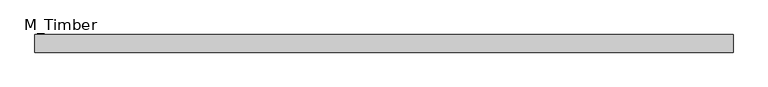
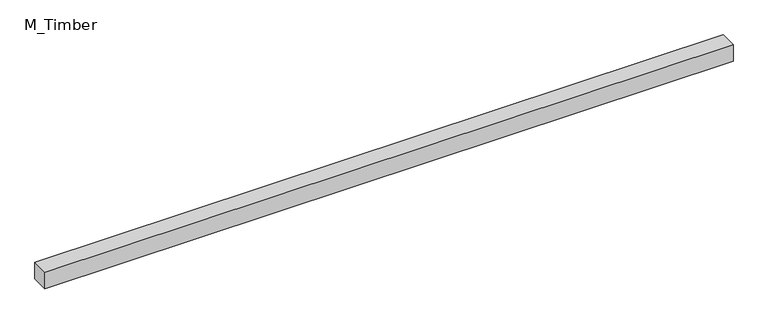
"""IFC4 building model written with IfcOpenShell, lengths in millimetres: beam geometry, M_Timber."""

from ifc_helpers import new_model, si_unit, frame, origin, place, context, project, spatial, polyline, outline, extrude, source, transform, mapped, element, save


def m_timber_333d11f4(model_context):
    return source(origin(), model_context, "Body", "SweptSolid", [
        extrude(outline(polyline([(790.3307769, 20.0), (790.3307769, -20.0), (-790.3307769, -20.0), (-790.3307769, 20.0), (790.3307769, 20.0)])), frame((0.0, 0.0, -20.0), z_axis=(0.0, 0.0, 1.0), x_axis=(1.0, 0.0, 0.0)), (0.0, 0.0, 1.0), 40.0),
    ])


if __name__ == "__main__":
    model = new_model("IFC4")
    model_context = context("Model", 3, world=origin())
    ifc_project = project(units=[si_unit("LENGTHUNIT", "METRE", prefix="MILLI")], contexts=[model_context])
    site = spatial("IfcSite", under=ifc_project)
    building = spatial("IfcBuilding", under=site)
    placement = place(None, origin())
    m_timber_shape = m_timber_333d11f4(model_context)
    element("IfcBeam", 1, ObjectType="M_Timber", at=placement, inside=building, context=model_context, shape_type="MappedRepresentation", body=[
        mapped(m_timber_shape, transform((0.0, 0.0, 0.0), x_axis=(1.0, 0.0, 0.0), y_axis=(0.0, 1.0, 0.0), z_axis=(0.0, 0.0, 1.0))),
    ])
    save(model, "model.ifc")
